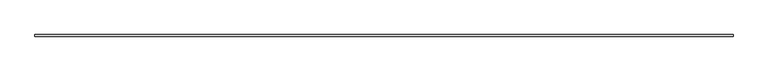
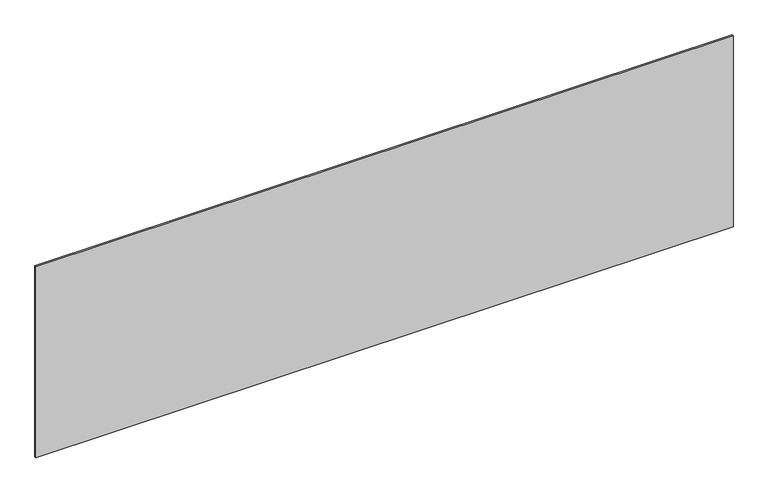
"""IFC4 building model written with IfcOpenShell, lengths in millimetres: plate geometry."""

from ifc_helpers import new_model, si_unit, origin, origin_with_axes, place, context, project, spatial, polyline, outline, extrude, source, transform, mapped, element, save


def plate_15cd895b(model_context):
    return source(origin(), model_context, "Body", "SweptSolid", [
        extrude(outline(polyline([(2189.1666667, -5.0), (-2189.1666667, -5.0), (-2189.1666667, 5.0), (2189.1666667, 5.0), (2189.1666667, -5.0)])), origin_with_axes(), (0.0, 0.0, 1.0), 1267.928235),
    ])


if __name__ == "__main__":
    model = new_model("IFC4")
    model_context = context("Model", 3, world=origin())
    ifc_project = project(units=[si_unit("LENGTHUNIT", "METRE", prefix="MILLI")], contexts=[model_context])
    site = spatial("IfcSite", under=ifc_project)
    building = spatial("IfcBuilding", under=site)
    placement = place(None, origin())
    plate_shape = plate_15cd895b(model_context)
    element("IfcPlate", 1, at=placement, inside=building, context=model_context, shape_type="MappedRepresentation", body=[
        mapped(plate_shape, transform((0.0, 0.0, 0.0), x_axis=(1.0, 0.0, 0.0), y_axis=(0.0, 1.0, 0.0), z_axis=(0.0, 0.0, 1.0))),
    ])
    save(model, "model.ifc")
